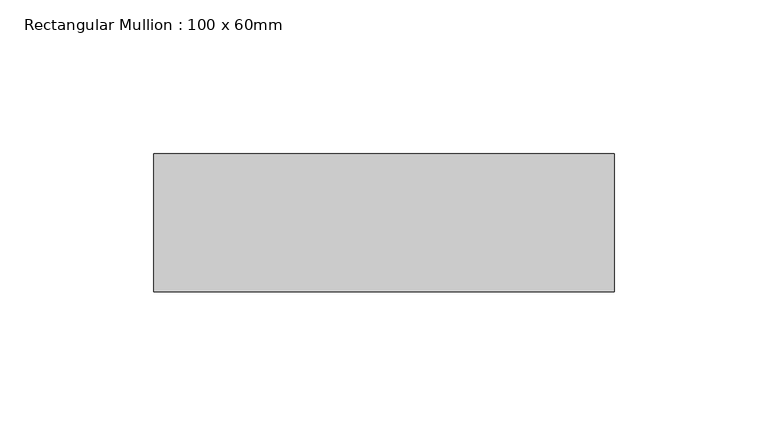
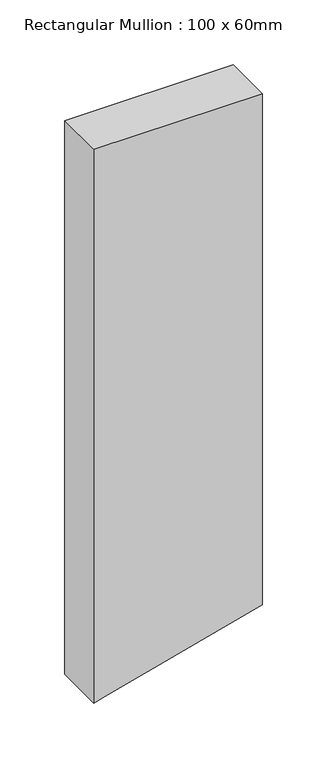
"""IFC4 building model written with IfcOpenShell, lengths in millimetres: member geometry, Rectangular Mullion : 100 x 60mm."""

from ifc_helpers import new_model, si_unit, frame, origin, place, context, project, spatial, polyline, outline, extrude, source, transform, mapped, element, save


def rectangular_mullion_100_x_60mm_8b1bdb61(model_context):
    return source(origin(), model_context, "Body", "SweptSolid", [
        extrude(outline(polyline([(0.0, 75.0), (0.0, -75.0), (-521.8215877, -75.0), (-519.0629868, -64.7047613), (-481.6292088, 75.0), (0.0, 75.0)])), frame((0.0, -15.0, 0.0), z_axis=(0.0, 1.0, 0.0), x_axis=(0.0, 0.0, 1.0)), (0.0, 0.0, 1.0), 45.0),
    ])


if __name__ == "__main__":
    model = new_model("IFC4")
    model_context = context("Model", 3, world=origin())
    ifc_project = project(units=[si_unit("LENGTHUNIT", "METRE", prefix="MILLI")], contexts=[model_context])
    site = spatial("IfcSite", under=ifc_project)
    building = spatial("IfcBuilding", under=site)
    placement = place(None, origin())
    rectangular_mullion_100_x_60mm_shape = rectangular_mullion_100_x_60mm_8b1bdb61(model_context)
    element("IfcMember", 1, ObjectType="Rectangular Mullion : 100 x 60mm", at=placement, inside=building, context=model_context, shape_type="MappedRepresentation", body=[
        mapped(rectangular_mullion_100_x_60mm_shape, transform((0.0, 0.0, 0.0), x_axis=(1.0, 0.0, 0.0), y_axis=(0.0, 1.0, 0.0), z_axis=(0.0, 0.0, 1.0))),
    ])
    save(model, "model.ifc")
